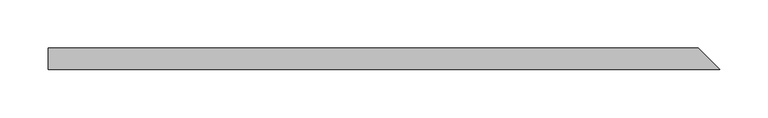
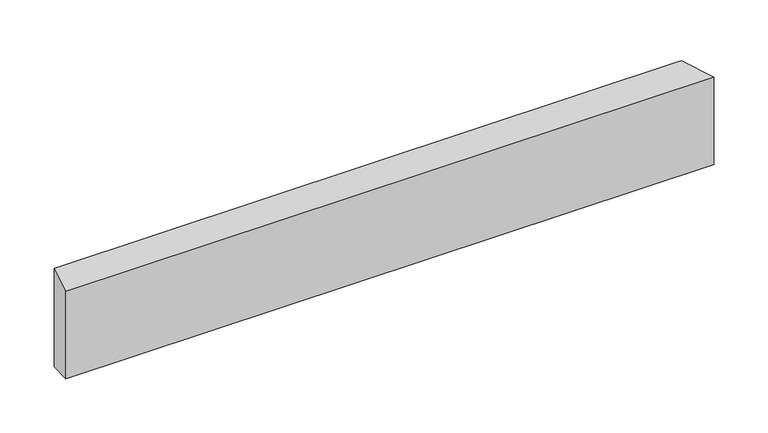
"""IFC4 building model written with IfcOpenShell, lengths in millimetres: beam geometry."""

from ifc_helpers import new_model, si_unit, origin, place, context, project, spatial, faceted_brep, source, transform, mapped, element, save


def beam_5b6b90f0(model_context):
    return source(origin(), model_context, "Body", "Brep", [
        faceted_brep([(351.6725645, -11.0, 55.8), (-340.6725645, -11.0, 55.8), (-340.6725645, -11.0, -42.9666667), (351.6725645, -11.0, -42.9666667), (329.6725645, 11.0, 68.6333333), (329.6725645, 11.0, -42.9666667), (-340.6725645, 11.0, -42.9666667), (-340.6725645, 11.0, 68.6333333)], [[[0, 1, 2, 3]], [[4, 5, 6, 7]], [[5, 4, 0, 3]], [[6, 5, 3, 2]], [[7, 6, 2, 1]], [[4, 7, 1, 0]]]),
    ])


if __name__ == "__main__":
    model = new_model("IFC4")
    model_context = context("Model", 3, world=origin())
    ifc_project = project(units=[si_unit("LENGTHUNIT", "METRE", prefix="MILLI")], contexts=[model_context])
    site = spatial("IfcSite", under=ifc_project)
    building = spatial("IfcBuilding", under=site)
    placement = place(None, origin())
    beam_shape = beam_5b6b90f0(model_context)
    element("IfcBeam", 1, at=placement, inside=building, context=model_context, shape_type="MappedRepresentation", body=[
        mapped(beam_shape, transform((0.0, 0.0, 0.0), x_axis=(1.0, 0.0, 0.0), y_axis=(0.0, 1.0, 0.0), z_axis=(0.0, 0.0, 1.0))),
    ])
    save(model, "model.ifc")
